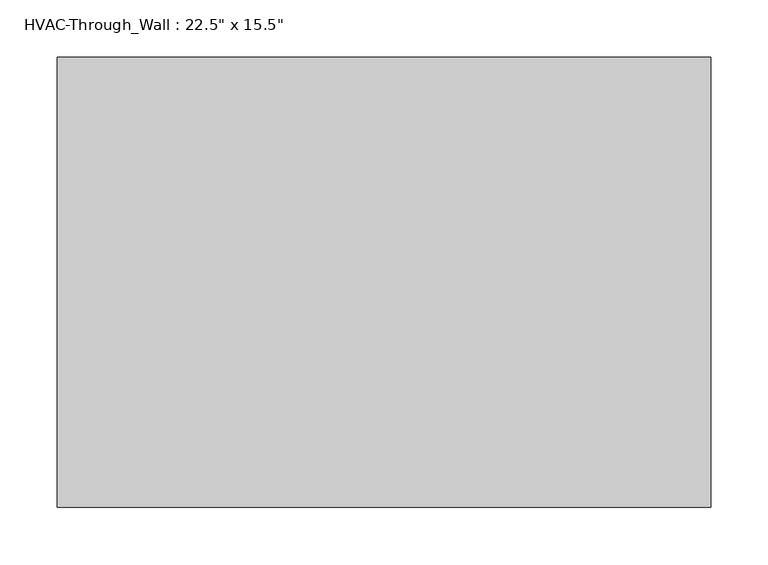
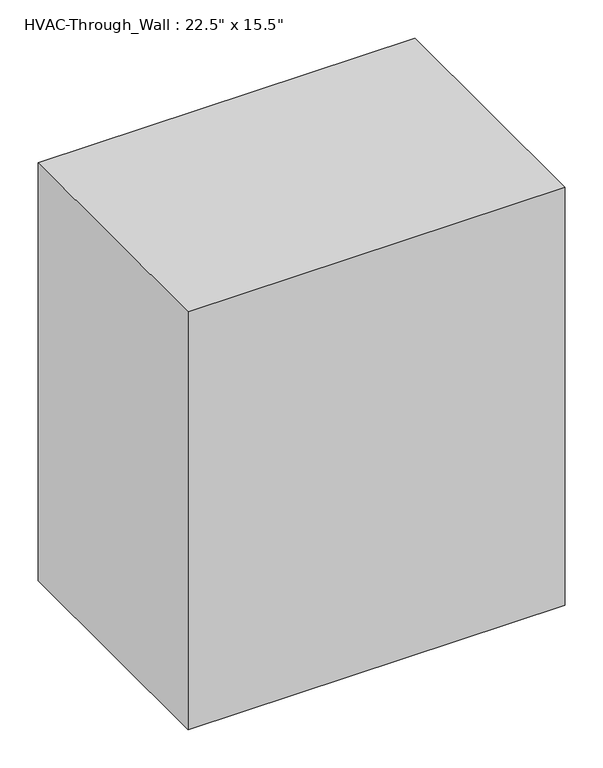
"""IFC4 building model written with IfcOpenShell, lengths in millimetres: proxy geometry."""

import ifcopenshell
import ifcopenshell.guid

model = None  # the IFC model being written
_history = None  # IfcOwnerHistory: only IFC2X3 demands one
_inside = {}  # id of a spatial element -> (the spatial element, [elements in it])
_under = {}  # id of a project, library or spatial element -> (it, [spatial elements below it])
_declared = {}  # id of a project -> (the project, [libraries it declares])
_typed = {}  # id of a type object -> (the type object, [elements of that type])
_made_of = {}  # id of a material, layer set ... -> (it, [elements and type objects made of it])


def new_model(schema):
    """Start an empty IFC model of exactly this schema.

    Asked for "IFC4X3", IfcOpenShell would pick the latest addendum, in which some entities
    have other attributes; the version numbers below select the first issue.
    IFC2X3 requires an IfcOwnerHistory on every rooted entity: one is made here for all.
    """
    global model, _history
    if schema == "IFC4X3":
        model = ifcopenshell.file(schema_version=(4, 3, 0, 0))
    else:
        model = ifcopenshell.file(schema=schema)
    _inside.clear()
    _under.clear()
    _declared.clear()
    _typed.clear()
    _made_of.clear()
    _history = None
    if model.schema == "IFC2X3":
        org = make("IfcOrganization", Name="unknown")
        user = make(
            "IfcPersonAndOrganization",
            ThePerson=make("IfcPerson", FamilyName="unknown"),
            TheOrganization=org,
        )
        app = make(
            "IfcApplication",
            ApplicationDeveloper=org,
            Version="unknown",
            ApplicationFullName="unknown",
            ApplicationIdentifier="unknown",
        )
        _history = make(
            "IfcOwnerHistory",
            OwningUser=user,
            OwningApplication=app,
            ChangeAction="ADDED",
            CreationDate=0,
        )
    return model


def make(cls, **values):
    """One entity of the class cls with the attributes given. An attribute that is None is left unset."""
    return model.create_entity(
        cls, **{name: value for name, value in values.items() if value is not None}
    )


def rooted(cls, **values):
    """An entity with a GlobalId (a new one), such as an element, a storey or a relation."""
    return make(cls, GlobalId=ifcopenshell.guid.new(), OwnerHistory=_history, **values)


def si_unit(unit_type, name, prefix=None):
    """IfcSIUnit, for example si_unit("LENGTHUNIT", "METRE", prefix="MILLI")."""
    return make("IfcSIUnit", UnitType=unit_type, Prefix=prefix, Name=name)


def assignment(units):
    """IfcUnitAssignment: the units of a project."""
    return None if units is None else make("IfcUnitAssignment", Units=units)


def point(xyz):
    """IfcCartesianPoint."""
    return None if xyz is None else make("IfcCartesianPoint", Coordinates=xyz)


def direction(xyz):
    """IfcDirection."""
    return None if xyz is None else make("IfcDirection", DirectionRatios=xyz)


def frame(location, z_axis=None, x_axis=None):
    """IfcAxis2Placement3D, a coordinate frame: its origin and axes. An axis left out is left unset."""
    return make(
        "IfcAxis2Placement3D",
        Location=point(location),
        Axis=direction(z_axis),
        RefDirection=direction(x_axis),
    )


def origin():
    """The frame at (0, 0, 0) with its axes left unset."""
    return frame((0.0, 0.0, 0.0))


def place(relative_to, where):
    """IfcLocalPlacement: puts the frame where relative to a parent placement (None: the world)."""
    return make(
        "IfcLocalPlacement", PlacementRelTo=relative_to, RelativePlacement=where
    )


def context(
    kind, dimensions, precision=None, world=None, true_north=None, identifier=None
):
    """IfcGeometricRepresentationContext, for example the 3D "Model" context."""
    return make(
        "IfcGeometricRepresentationContext",
        ContextIdentifier=identifier,
        ContextType=kind,
        CoordinateSpaceDimension=dimensions,
        Precision=precision,
        WorldCoordinateSystem=world,
        TrueNorth=true_north,
    )


def project(units=None, contexts=None):
    """IfcProject with its units and contexts."""
    return rooted(
        "IfcProject",
        Name="project",
        RepresentationContexts=contexts,
        UnitsInContext=assignment(units),
    )


def spatial(cls, under=None, at=None, **own):
    """A site, building, storey or space (cls), placed at a placement, below another one or the project."""
    s = rooted(cls, ObjectPlacement=at, **own)
    if under is not None:
        _under.setdefault(under.id(), (under, []))[1].append(s)
    return s


def polyline(points):
    """IfcPolyline through the points."""
    return make("IfcPolyline", Points=[point(p) for p in points])


def outline(outer, holes=None, kind="AREA"):
    """IfcArbitraryClosedProfileDef: a profile drawn as a closed curve; with holes, ...WithVoids."""
    if holes is None:
        return make("IfcArbitraryClosedProfileDef", ProfileType=kind, OuterCurve=outer)
    return make(
        "IfcArbitraryProfileDefWithVoids",
        ProfileType=kind,
        OuterCurve=outer,
        InnerCurves=holes,
    )


def extrude(swept, where, along, depth):
    """IfcExtrudedAreaSolid: the profile swept, set in the frame where, extruded along a direction by depth."""
    return make(
        "IfcExtrudedAreaSolid",
        SweptArea=swept,
        Position=where,
        ExtrudedDirection=direction(along),
        Depth=depth,
    )


def shape(context_of_items, identifier, shape_type, items):
    """IfcShapeRepresentation: the items that make up one representation, for example the "Body"."""
    return make(
        "IfcShapeRepresentation",
        ContextOfItems=context_of_items,
        RepresentationIdentifier=identifier,
        RepresentationType=shape_type,
        Items=items,
    )


def source(mapping_origin, context_of_items, identifier, shape_type, items):
    """IfcRepresentationMap: a shape defined once, which mapped items show again and again."""
    return make(
        "IfcRepresentationMap",
        MappingOrigin=mapping_origin,
        MappedRepresentation=shape(context_of_items, identifier, shape_type, items),
    )


def transform(
    local_origin,
    x_axis=None,
    y_axis=None,
    z_axis=None,
    scale=None,
    scale2=None,
    scale3=None,
    uniform=True,
):
    """IfcCartesianTransformationOperator3D, or its non-uniform kind. x_axis, y_axis, z_axis: its Axis1, 2, 3."""
    if uniform:
        return make(
            "IfcCartesianTransformationOperator3D",
            Axis1=direction(x_axis),
            Axis2=direction(y_axis),
            LocalOrigin=point(local_origin),
            Scale=scale,
            Axis3=direction(z_axis),
        )
    return make(
        "IfcCartesianTransformationOperator3DnonUniform",
        Axis1=direction(x_axis),
        Axis2=direction(y_axis),
        LocalOrigin=point(local_origin),
        Scale=scale,
        Axis3=direction(z_axis),
        Scale2=scale2,
        Scale3=scale3,
    )


def mapped(mapping_source, mapping_target):
    """IfcMappedItem: shows the shape of a source again, moved by a transform."""
    return make(
        "IfcMappedItem", MappingSource=mapping_source, MappingTarget=mapping_target
    )


def made_of(thing, what):
    """Note that an element or type object is made of a material, layer set ...; save() writes the relation."""
    if what is not None:
        _made_of.setdefault(what.id(), (what, []))[1].append(thing)
    return thing


def element(
    cls,
    number,
    at=None,
    inside=None,
    cuts=None,
    type_object=None,
    material=None,
    context=None,
    identifier="Body",
    shape_type=None,
    held_by="IfcProductDefinitionShape",
    body=None,
    shapes=None,
    **own,
):
    """One element of the class cls, such as IfcWall. Its Tag is "e" and its number.

    at: its placement. inside: the storey or other place that contains it. cuts: it is an
    opening in that element (IfcRelVoidsElement). A single representation is given by context,
    identifier, shape_type and body (its items); several are given by shapes. held_by: the class
    of the entity that holds the representations. save() writes the other relations.
    """
    e = rooted(cls, Tag="e%d" % number, ObjectPlacement=at, **own)
    if body is not None:
        shapes = [shape(context, identifier, shape_type, body)]
    if shapes is not None:
        e.Representation = make(held_by, Representations=shapes)
    if inside is not None:
        _inside.setdefault(inside.id(), (inside, []))[1].append(e)
    if cuts is not None:
        rooted(
            "IfcRelVoidsElement", RelatingBuildingElement=cuts, RelatedOpeningElement=e
        )
    if type_object is not None:
        _typed.setdefault(type_object.id(), (type_object, []))[1].append(e)
    return made_of(e, material)


def aggregate(whole, parts):
    """IfcRelAggregates: a whole, such as a stair, and the parts it consists of."""
    return rooted("IfcRelAggregates", RelatingObject=whole, RelatedObjects=parts)


def save(model, path):
    """Write the relations noted so far, then the file.

    IfcRelAggregates (storeys below a building ...), IfcRelContainedInSpatialStructure (elements
    in a storey), IfcRelDefinesByType, IfcRelAssociatesMaterial and IfcRelDeclares: one each for
    every whole, place, type object, material and project.
    """
    for whole, parts in _under.values():
        aggregate(whole, parts)
    for where, things in _inside.values():
        rooted(
            "IfcRelContainedInSpatialStructure",
            RelatedElements=things,
            RelatingStructure=where,
        )
    for kind, things in _typed.values():
        rooted("IfcRelDefinesByType", RelatedObjects=things, RelatingType=kind)
    for what, things in _made_of.values():
        rooted("IfcRelAssociatesMaterial", RelatedObjects=things, RelatingMaterial=what)
    for by, libraries in _declared.values():
        rooted("IfcRelDeclares", RelatingContext=by, RelatedDefinitions=libraries)
    model.write(path)


def proxy_df4a6dda(model_context):
    return source(origin(), model_context, "Body", "SweptSolid", [
        extrude(outline(polyline([(285.75, 393.7), (285.75, 0.0), (-285.75, 0.0), (-285.75, 393.7), (285.75, 393.7)])), frame((0.0, 0.0, -203.2), z_axis=(0.0, 0.0, 1.0), x_axis=(1.0, 0.0, 0.0)), (0.0, 0.0, 1.0), 669.925),
    ])


if __name__ == "__main__":
    model = new_model("IFC4")
    model_context = context("Model", 3, world=origin())
    ifc_project = project(units=[si_unit("LENGTHUNIT", "METRE", prefix="MILLI")], contexts=[model_context])
    site = spatial("IfcSite", under=ifc_project)
    building = spatial("IfcBuilding", under=site)
    placement = place(None, origin())
    proxy_shape = proxy_df4a6dda(model_context)
    element("IfcBuildingElementProxy", 1, Name="HVAC-Through_Wall : 22.5\" x 15.5\"", ObjectType="HVAC-Through_Wall : 22.5\" x 15.5\"", at=placement, inside=building, context=model_context, shape_type="MappedRepresentation", body=[
        mapped(proxy_shape, transform((0.0, 0.0, 0.0), x_axis=(1.0, 0.0, 0.0), y_axis=(0.0, 1.0, 0.0), z_axis=(0.0, 0.0, 1.0))),
    ])
    save(model, "model.ifc")
